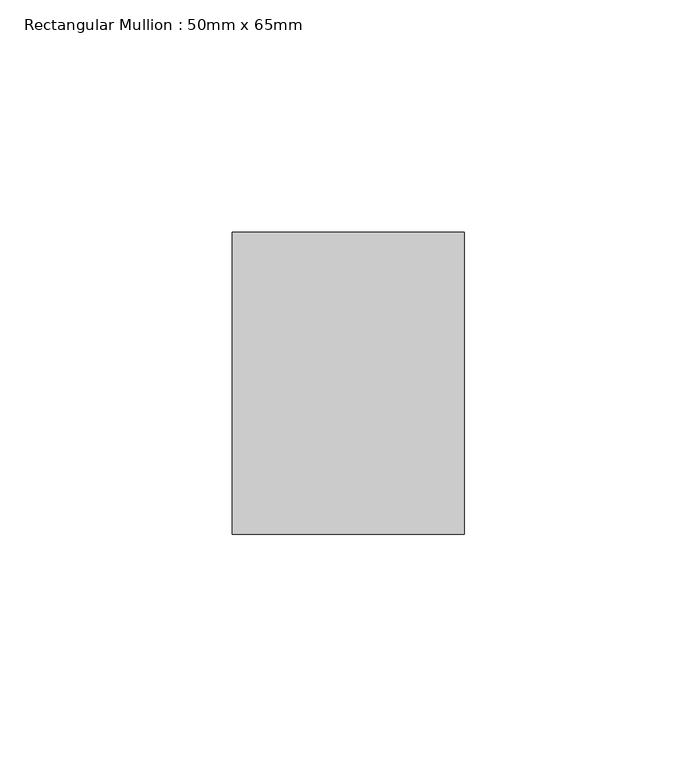
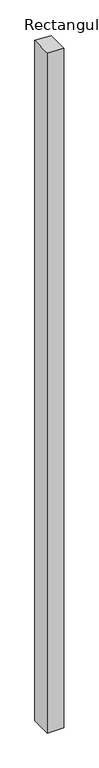
"""IFC4 building model written with IfcOpenShell, lengths in millimetres: member geometry, Rectangular Mullion : 50mm x 65mm."""

from ifc_helpers import new_model, si_unit, origin, place, context, project, spatial, faceted_brep, source, transform, mapped, element, save


def rectangular_mullion_50mm_x_65mm_5c2e5996(model_context):
    return source(origin(), model_context, "Body", "Brep", [
        faceted_brep([(25.0, 32.5, -2187.8813403), (25.0, -32.5, -2187.8813403), (-25.0, -32.5, -2187.8813403), (-25.0, 32.5, -2187.8813403), (-25.0, 32.5, 2.1255291), (25.0, 32.5, -0.1660254), (-25.0, -32.5, 0.1660254), (25.0, -32.5, -2.1255291)], [[[0, 1, 2, 3]], [[4, 5, 0, 3]], [[6, 4, 3, 2]], [[7, 6, 2, 1]], [[5, 7, 1, 0]], [[5, 4, 6, 7]]]),
    ])


if __name__ == "__main__":
    model = new_model("IFC4")
    model_context = context("Model", 3, world=origin())
    ifc_project = project(units=[si_unit("LENGTHUNIT", "METRE", prefix="MILLI")], contexts=[model_context])
    site = spatial("IfcSite", under=ifc_project)
    building = spatial("IfcBuilding", under=site)
    placement = place(None, origin())
    rectangular_mullion_50mm_x_65mm_shape = rectangular_mullion_50mm_x_65mm_5c2e5996(model_context)
    element("IfcMember", 1, ObjectType="Rectangular Mullion : 50mm x 65mm", at=placement, inside=building, context=model_context, shape_type="MappedRepresentation", body=[
        mapped(rectangular_mullion_50mm_x_65mm_shape, transform((0.0, 0.0, 0.0), x_axis=(1.0, 0.0, 0.0), y_axis=(0.0, 1.0, 0.0), z_axis=(0.0, 0.0, 1.0))),
    ])
    save(model, "model.ifc")
